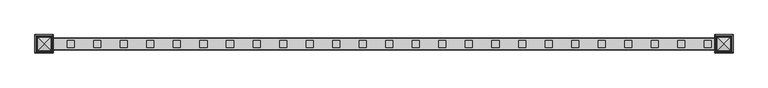
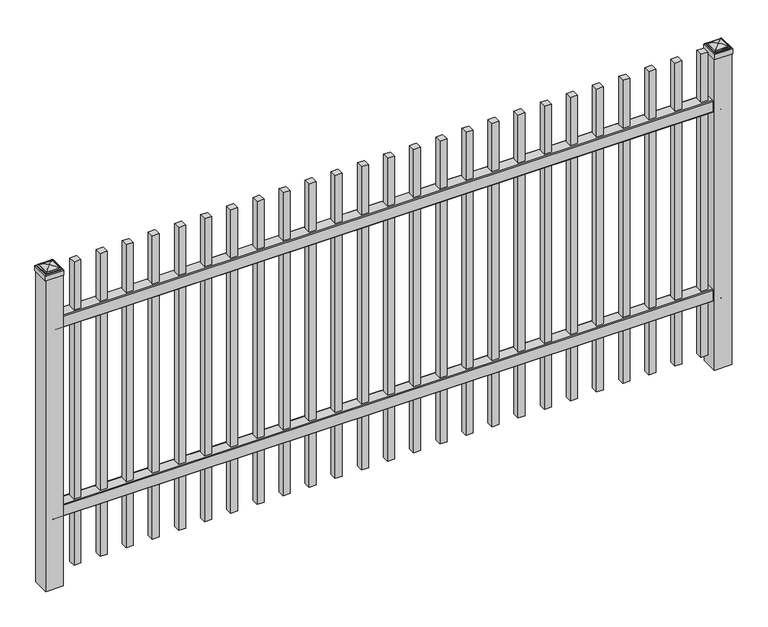
"""IFC4 building model written with IfcOpenShell, lengths in millimetres: railing geometry."""

import ifcopenshell
import ifcopenshell.guid

model = None  # the IFC model being written
_history = None  # IfcOwnerHistory: only IFC2X3 demands one
_inside = {}  # id of a spatial element -> (the spatial element, [elements in it])
_under = {}  # id of a project, library or spatial element -> (it, [spatial elements below it])
_declared = {}  # id of a project -> (the project, [libraries it declares])
_typed = {}  # id of a type object -> (the type object, [elements of that type])
_made_of = {}  # id of a material, layer set ... -> (it, [elements and type objects made of it])


def new_model(schema):
    """Start an empty IFC model of exactly this schema.

    Asked for "IFC4X3", IfcOpenShell would pick the latest addendum, in which some entities
    have other attributes; the version numbers below select the first issue.
    IFC2X3 requires an IfcOwnerHistory on every rooted entity: one is made here for all.
    """
    global model, _history
    if schema == "IFC4X3":
        model = ifcopenshell.file(schema_version=(4, 3, 0, 0))
    else:
        model = ifcopenshell.file(schema=schema)
    _inside.clear()
    _under.clear()
    _declared.clear()
    _typed.clear()
    _made_of.clear()
    _history = None
    if model.schema == "IFC2X3":
        org = make("IfcOrganization", Name="unknown")
        user = make(
            "IfcPersonAndOrganization",
            ThePerson=make("IfcPerson", FamilyName="unknown"),
            TheOrganization=org,
        )
        app = make(
            "IfcApplication",
            ApplicationDeveloper=org,
            Version="unknown",
            ApplicationFullName="unknown",
            ApplicationIdentifier="unknown",
        )
        _history = make(
            "IfcOwnerHistory",
            OwningUser=user,
            OwningApplication=app,
            ChangeAction="ADDED",
            CreationDate=0,
        )
    return model


def make(cls, **values):
    """One entity of the class cls with the attributes given. An attribute that is None is left unset."""
    return model.create_entity(
        cls, **{name: value for name, value in values.items() if value is not None}
    )


def rooted(cls, **values):
    """An entity with a GlobalId (a new one), such as an element, a storey or a relation."""
    return make(cls, GlobalId=ifcopenshell.guid.new(), OwnerHistory=_history, **values)


def si_unit(unit_type, name, prefix=None):
    """IfcSIUnit, for example si_unit("LENGTHUNIT", "METRE", prefix="MILLI")."""
    return make("IfcSIUnit", UnitType=unit_type, Prefix=prefix, Name=name)


def assignment(units):
    """IfcUnitAssignment: the units of a project."""
    return None if units is None else make("IfcUnitAssignment", Units=units)


def point(xyz):
    """IfcCartesianPoint."""
    return None if xyz is None else make("IfcCartesianPoint", Coordinates=xyz)


def direction(xyz):
    """IfcDirection."""
    return None if xyz is None else make("IfcDirection", DirectionRatios=xyz)


def frame(location, z_axis=None, x_axis=None):
    """IfcAxis2Placement3D, a coordinate frame: its origin and axes. An axis left out is left unset."""
    return make(
        "IfcAxis2Placement3D",
        Location=point(location),
        Axis=direction(z_axis),
        RefDirection=direction(x_axis),
    )


def frame_2d(location, x_axis=None):
    """IfcAxis2Placement2D, a coordinate frame in the plane: its origin and x axis."""
    return make(
        "IfcAxis2Placement2D", Location=point(location), RefDirection=direction(x_axis)
    )


def origin():
    """The frame at (0, 0, 0) with its axes left unset."""
    return frame((0.0, 0.0, 0.0))


def origin_with_axes():
    """The frame at (0, 0, 0) with the z axis (0, 0, 1) and the x axis (1, 0, 0) written out."""
    return frame((0.0, 0.0, 0.0), z_axis=(0.0, 0.0, 1.0), x_axis=(1.0, 0.0, 0.0))


def place(relative_to, where):
    """IfcLocalPlacement: puts the frame where relative to a parent placement (None: the world)."""
    return make(
        "IfcLocalPlacement", PlacementRelTo=relative_to, RelativePlacement=where
    )


def context(
    kind, dimensions, precision=None, world=None, true_north=None, identifier=None
):
    """IfcGeometricRepresentationContext, for example the 3D "Model" context."""
    return make(
        "IfcGeometricRepresentationContext",
        ContextIdentifier=identifier,
        ContextType=kind,
        CoordinateSpaceDimension=dimensions,
        Precision=precision,
        WorldCoordinateSystem=world,
        TrueNorth=true_north,
    )


def project(units=None, contexts=None):
    """IfcProject with its units and contexts."""
    return rooted(
        "IfcProject",
        Name="project",
        RepresentationContexts=contexts,
        UnitsInContext=assignment(units),
    )


def spatial(cls, under=None, at=None, **own):
    """A site, building, storey or space (cls), placed at a placement, below another one or the project."""
    s = rooted(cls, ObjectPlacement=at, **own)
    if under is not None:
        _under.setdefault(under.id(), (under, []))[1].append(s)
    return s


def polyline(points):
    """IfcPolyline through the points."""
    return make("IfcPolyline", Points=[point(p) for p in points])


def circle_curve(where, radius):
    """IfcCircle in the frame where."""
    return make("IfcCircle", Position=where, Radius=radius)


def ellipse_curve(where, semi_axis1, semi_axis2):
    """IfcEllipse in the frame where."""
    return make(
        "IfcEllipse", Position=where, SemiAxis1=semi_axis1, SemiAxis2=semi_axis2
    )


def trimmed(basis, trim1, trim2, sense, master):
    """IfcTrimmedCurve: the piece of a basis curve between two trims."""
    return make(
        "IfcTrimmedCurve",
        BasisCurve=basis,
        Trim1=trim1,
        Trim2=trim2,
        SenseAgreement=sense,
        MasterRepresentation=master,
    )


def segment(curve, same_sense, transition):
    """IfcCompositeCurveSegment."""
    return make(
        "IfcCompositeCurveSegment",
        Transition=transition,
        SameSense=same_sense,
        ParentCurve=curve,
    )


def composite_curve(segments, self_intersect=None):
    """IfcCompositeCurve: segments joined end to end."""
    return make("IfcCompositeCurve", Segments=segments, SelfIntersect=self_intersect)


def outline(outer, holes=None, kind="AREA"):
    """IfcArbitraryClosedProfileDef: a profile drawn as a closed curve; with holes, ...WithVoids."""
    if holes is None:
        return make("IfcArbitraryClosedProfileDef", ProfileType=kind, OuterCurve=outer)
    return make(
        "IfcArbitraryProfileDefWithVoids",
        ProfileType=kind,
        OuterCurve=outer,
        InnerCurves=holes,
    )


def extrude(swept, where, along, depth):
    """IfcExtrudedAreaSolid: the profile swept, set in the frame where, extruded along a direction by depth."""
    return make(
        "IfcExtrudedAreaSolid",
        SweptArea=swept,
        Position=where,
        ExtrudedDirection=direction(along),
        Depth=depth,
    )


def shape(context_of_items, identifier, shape_type, items):
    """IfcShapeRepresentation: the items that make up one representation, for example the "Body"."""
    return make(
        "IfcShapeRepresentation",
        ContextOfItems=context_of_items,
        RepresentationIdentifier=identifier,
        RepresentationType=shape_type,
        Items=items,
    )


def source(mapping_origin, context_of_items, identifier, shape_type, items):
    """IfcRepresentationMap: a shape defined once, which mapped items show again and again."""
    return make(
        "IfcRepresentationMap",
        MappingOrigin=mapping_origin,
        MappedRepresentation=shape(context_of_items, identifier, shape_type, items),
    )


def transform(
    local_origin,
    x_axis=None,
    y_axis=None,
    z_axis=None,
    scale=None,
    scale2=None,
    scale3=None,
    uniform=True,
):
    """IfcCartesianTransformationOperator3D, or its non-uniform kind. x_axis, y_axis, z_axis: its Axis1, 2, 3."""
    if uniform:
        return make(
            "IfcCartesianTransformationOperator3D",
            Axis1=direction(x_axis),
            Axis2=direction(y_axis),
            LocalOrigin=point(local_origin),
            Scale=scale,
            Axis3=direction(z_axis),
        )
    return make(
        "IfcCartesianTransformationOperator3DnonUniform",
        Axis1=direction(x_axis),
        Axis2=direction(y_axis),
        LocalOrigin=point(local_origin),
        Scale=scale,
        Axis3=direction(z_axis),
        Scale2=scale2,
        Scale3=scale3,
    )


def mapped(mapping_source, mapping_target):
    """IfcMappedItem: shows the shape of a source again, moved by a transform."""
    return make(
        "IfcMappedItem", MappingSource=mapping_source, MappingTarget=mapping_target
    )


def made_of(thing, what):
    """Note that an element or type object is made of a material, layer set ...; save() writes the relation."""
    if what is not None:
        _made_of.setdefault(what.id(), (what, []))[1].append(thing)
    return thing


def element(
    cls,
    number,
    at=None,
    inside=None,
    cuts=None,
    type_object=None,
    material=None,
    context=None,
    identifier="Body",
    shape_type=None,
    held_by="IfcProductDefinitionShape",
    body=None,
    shapes=None,
    **own,
):
    """One element of the class cls, such as IfcWall. Its Tag is "e" and its number.

    at: its placement. inside: the storey or other place that contains it. cuts: it is an
    opening in that element (IfcRelVoidsElement). A single representation is given by context,
    identifier, shape_type and body (its items); several are given by shapes. held_by: the class
    of the entity that holds the representations. save() writes the other relations.
    """
    e = rooted(cls, Tag="e%d" % number, ObjectPlacement=at, **own)
    if body is not None:
        shapes = [shape(context, identifier, shape_type, body)]
    if shapes is not None:
        e.Representation = make(held_by, Representations=shapes)
    if inside is not None:
        _inside.setdefault(inside.id(), (inside, []))[1].append(e)
    if cuts is not None:
        rooted(
            "IfcRelVoidsElement", RelatingBuildingElement=cuts, RelatedOpeningElement=e
        )
    if type_object is not None:
        _typed.setdefault(type_object.id(), (type_object, []))[1].append(e)
    return made_of(e, material)


def aggregate(whole, parts):
    """IfcRelAggregates: a whole, such as a stair, and the parts it consists of."""
    return rooted("IfcRelAggregates", RelatingObject=whole, RelatedObjects=parts)


def save(model, path):
    """Write the relations noted so far, then the file.

    IfcRelAggregates (storeys below a building ...), IfcRelContainedInSpatialStructure (elements
    in a storey), IfcRelDefinesByType, IfcRelAssociatesMaterial and IfcRelDeclares: one each for
    every whole, place, type object, material and project.
    """
    for whole, parts in _under.values():
        aggregate(whole, parts)
    for where, things in _inside.values():
        rooted(
            "IfcRelContainedInSpatialStructure",
            RelatedElements=things,
            RelatingStructure=where,
        )
    for kind, things in _typed.values():
        rooted("IfcRelDefinesByType", RelatedObjects=things, RelatingType=kind)
    for what, things in _made_of.values():
        rooted("IfcRelAssociatesMaterial", RelatedObjects=things, RelatingMaterial=what)
    for by, libraries in _declared.values():
        rooted("IfcRelDeclares", RelatingContext=by, RelatedDefinitions=libraries)
    model.write(path)


def plane_surface(at):
    """IfcPlane: the flat surface through the origin of the frame at, square to its z axis."""
    return make("IfcPlane", Position=at)


def cylinder_surface(at, radius):
    """IfcCylindricalSurface: all points at the distance radius from the z axis of the frame at."""
    return make("IfcCylindricalSurface", Position=at, Radius=radius)


def advanced_brep(points, edges, surfaces, faces):
    """IfcAdvancedBrep: a solid bounded by faces that lie on surfaces and meet in shared edges.

    An edge is (start, end): straight between two places in points (the first is 0);
    or (start, end, curve); or (start, end, curve, False) where it runs against its curve.
    A face is (place in surfaces, loops), or (place, loops, False) where it looks against
    its surface's normal. A loop lists edges by number (the first is 1), with a minus sign
    where the edge is run from its end to its start. The first loop is the outer one.
    """
    corners = [point(p) for p in points]
    vertices = [make("IfcVertexPoint", VertexGeometry=c) for c in corners]
    made = []
    for start, end, *more in edges:
        made.append(
            make(
                "IfcEdgeCurve",
                EdgeStart=vertices[start],
                EdgeEnd=vertices[end],
                EdgeGeometry=more[0] if more else make("IfcPolyline", Points=[corners[start], corners[end]]),
                SameSense=more[1] if len(more) > 1 else True,
            )
        )
    hull = []
    for where, loops, *sense in faces:
        bounds = []
        for j, loop in enumerate(loops):
            ring = [make("IfcOrientedEdge", EdgeElement=made[abs(k) - 1], Orientation=k > 0) for k in loop]
            bounds.append(
                make(
                    "IfcFaceOuterBound" if j == 0 else "IfcFaceBound",
                    Bound=make("IfcEdgeLoop", EdgeList=ring),
                    Orientation=True,
                )
            )
        hull.append(make("IfcAdvancedFace", Bounds=bounds, FaceSurface=surfaces[where], SameSense=sense[0] if sense else True))
    return make("IfcAdvancedBrep", Outer=make("IfcClosedShell", CfsFaces=hull))


def railing_c699f9fa(model_context):
    return source(origin(), model_context, "Body", "SolidModel", [
        extrude(outline(composite_curve([segment(polyline([(13397.9139761, 304.8), (13435.969541, 304.8)]), True, "CONTINUOUS"), segment(trimmed(circle_curve(frame_2d((13435.969541, 301.625)), 3.175), [point((13435.969541, 304.8))], [point((13439.144541, 301.625))], False, "CARTESIAN"), True, "CONTINUOUS"), segment(polyline([(13439.144541, 301.625), (13439.144541, 262.1439893)]), True, "CONTINUOUS"), segment(trimmed(circle_curve(frame_2d((13437.3505518, 262.1439893)), 1.7939893), [point((13439.144541, 262.1439893))], [point((13437.3505518, 260.35))], False, "CARTESIAN"), True, "CONTINUOUS"), segment(polyline([(13437.3505518, 260.35), (13434.7590713, 260.35)]), True, "CONTINUOUS"), segment(trimmed(circle_curve(frame_2d((13434.7590713, 262.1359375)), 1.7859375), [point((13434.7590713, 260.35))], [point((13432.9755813, 262.0424688))], False, "CARTESIAN"), True, "CONTINUOUS"), segment(polyline([(13432.9755813, 262.0424688), (13431.4025867, 292.0569942), (13402.4364954, 292.0569942), (13400.8635007, 262.0424688)]), True, "CONTINUOUS"), segment(trimmed(circle_curve(frame_2d((13399.0800108, 262.1359375)), 1.7859375), [point((13400.8635007, 262.0424688))], [point((13399.0800108, 260.35))], False, "CARTESIAN"), True, "CONTINUOUS"), segment(polyline([(13399.0800108, 260.35), (13396.4804785, 260.35)]), True, "CONTINUOUS"), segment(trimmed(circle_curve(frame_2d((13396.4804785, 262.1359375)), 1.7859375), [point((13396.4804785, 260.35))], [point((13394.694541, 262.1359375))], False, "CARTESIAN"), True, "CONTINUOUS"), segment(polyline([(13394.694541, 262.1359375), (13394.694541, 301.5805649)]), True, "CONTINUOUS"), segment(trimmed(circle_curve(frame_2d((13397.9139761, 301.5805649)), 3.2194351), [point((13394.694541, 301.5805649))], [point((13397.9139761, 304.8))], False, "CARTESIAN"), True, "CONTINUOUS")], self_intersect=False)), frame((2341.3350064, 0.0, 0.0), z_axis=(1.0, 0.0, 0.0), x_axis=(0.0, 1.0, 0.0)), (0.0, 0.0, 1.0), 2438.4),
        extrude(outline(composite_curve([segment(polyline([(13397.9139761, 1033.4625), (13435.969541, 1033.4625)]), True, "CONTINUOUS"), segment(trimmed(circle_curve(frame_2d((13435.969541, 1030.2875)), 3.175), [point((13435.969541, 1033.4625))], [point((13439.144541, 1030.2875))], False, "CARTESIAN"), True, "CONTINUOUS"), segment(polyline([(13439.144541, 1030.2875), (13439.144541, 990.8064893)]), True, "CONTINUOUS"), segment(trimmed(circle_curve(frame_2d((13437.3505518, 990.8064893)), 1.7939893), [point((13439.144541, 990.8064893))], [point((13437.3505518, 989.0125))], False, "CARTESIAN"), True, "CONTINUOUS"), segment(polyline([(13437.3505518, 989.0125), (13434.7590713, 989.0125)]), True, "CONTINUOUS"), segment(trimmed(circle_curve(frame_2d((13434.7590713, 990.7984375)), 1.7859375), [point((13434.7590713, 989.0125))], [point((13432.9755813, 990.7049688))], False, "CARTESIAN"), True, "CONTINUOUS"), segment(polyline([(13432.9755813, 990.7049688), (13431.4025867, 1020.7194942), (13402.4364954, 1020.7194942), (13400.8635007, 990.7049688)]), True, "CONTINUOUS"), segment(trimmed(circle_curve(frame_2d((13399.0800108, 990.7984375)), 1.7859375), [point((13400.8635007, 990.7049688))], [point((13399.0800108, 989.0125))], False, "CARTESIAN"), True, "CONTINUOUS"), segment(polyline([(13399.0800108, 989.0125), (13396.4804785, 989.0125)]), True, "CONTINUOUS"), segment(trimmed(circle_curve(frame_2d((13396.4804785, 990.7984375)), 1.7859375), [point((13396.4804785, 989.0125))], [point((13394.694541, 990.7984375))], False, "CARTESIAN"), True, "CONTINUOUS"), segment(polyline([(13394.694541, 990.7984375), (13394.694541, 1030.2430649)]), True, "CONTINUOUS"), segment(trimmed(circle_curve(frame_2d((13397.9139761, 1030.2430649)), 3.2194351), [point((13394.694541, 1030.2430649))], [point((13397.9139761, 1033.4625))], False, "CARTESIAN"), True, "CONTINUOUS")], self_intersect=False)), frame((2341.3350064, 0.0, 0.0), z_axis=(1.0, 0.0, 0.0), x_axis=(0.0, 1.0, 0.0)), (0.0, 0.0, 1.0), 2438.4),
        extrude(outline(polyline([(4709.8850064, 13429.619541), (4735.2850064, 13429.619541), (4735.2850064, 13404.219541), (4709.8850064, 13404.219541), (4709.8850064, 13429.619541)])), frame((0.0, 0.0, 50.8), z_axis=(0.0, 0.0, 1.0), x_axis=(1.0, 0.0, 0.0)), (0.0, 0.0, 1.0), 1168.4),
        extrude(outline(polyline([(4614.6350064, 13429.619541), (4640.0350064, 13429.619541), (4640.0350064, 13404.219541), (4614.6350064, 13404.219541), (4614.6350064, 13429.619541)])), frame((0.0, 0.0, 50.8), z_axis=(0.0, 0.0, 1.0), x_axis=(1.0, 0.0, 0.0)), (0.0, 0.0, 1.0), 1168.4),
        extrude(outline(polyline([(4519.3850064, 13429.619541), (4544.7850064, 13429.619541), (4544.7850064, 13404.219541), (4519.3850064, 13404.219541), (4519.3850064, 13429.619541)])), frame((0.0, 0.0, 50.8), z_axis=(0.0, 0.0, 1.0), x_axis=(1.0, 0.0, 0.0)), (0.0, 0.0, 1.0), 1168.4),
        extrude(outline(polyline([(4424.1350064, 13429.619541), (4449.5350064, 13429.619541), (4449.5350064, 13404.219541), (4424.1350064, 13404.219541), (4424.1350064, 13429.619541)])), frame((0.0, 0.0, 50.8), z_axis=(0.0, 0.0, 1.0), x_axis=(1.0, 0.0, 0.0)), (0.0, 0.0, 1.0), 1168.4),
        extrude(outline(polyline([(4328.8850064, 13429.619541), (4354.2850064, 13429.619541), (4354.2850064, 13404.219541), (4328.8850064, 13404.219541), (4328.8850064, 13429.619541)])), frame((0.0, 0.0, 50.8), z_axis=(0.0, 0.0, 1.0), x_axis=(1.0, 0.0, 0.0)), (0.0, 0.0, 1.0), 1168.4),
        extrude(outline(polyline([(4233.6350064, 13429.619541), (4259.0350064, 13429.619541), (4259.0350064, 13404.219541), (4233.6350064, 13404.219541), (4233.6350064, 13429.619541)])), frame((0.0, 0.0, 50.8), z_axis=(0.0, 0.0, 1.0), x_axis=(1.0, 0.0, 0.0)), (0.0, 0.0, 1.0), 1168.4),
        extrude(outline(polyline([(4138.3850064, 13429.619541), (4163.7850064, 13429.619541), (4163.7850064, 13404.219541), (4138.3850064, 13404.219541), (4138.3850064, 13429.619541)])), frame((0.0, 0.0, 50.8), z_axis=(0.0, 0.0, 1.0), x_axis=(1.0, 0.0, 0.0)), (0.0, 0.0, 1.0), 1168.4),
        extrude(outline(polyline([(4043.1350064, 13429.619541), (4068.5350064, 13429.619541), (4068.5350064, 13404.219541), (4043.1350064, 13404.219541), (4043.1350064, 13429.619541)])), frame((0.0, 0.0, 50.8), z_axis=(0.0, 0.0, 1.0), x_axis=(1.0, 0.0, 0.0)), (0.0, 0.0, 1.0), 1168.4),
        extrude(outline(polyline([(3947.8850064, 13429.619541), (3973.2850064, 13429.619541), (3973.2850064, 13404.219541), (3947.8850064, 13404.219541), (3947.8850064, 13429.619541)])), frame((0.0, 0.0, 50.8), z_axis=(0.0, 0.0, 1.0), x_axis=(1.0, 0.0, 0.0)), (0.0, 0.0, 1.0), 1168.4),
        extrude(outline(polyline([(3852.6350064, 13429.619541), (3878.0350064, 13429.619541), (3878.0350064, 13404.219541), (3852.6350064, 13404.219541), (3852.6350064, 13429.619541)])), frame((0.0, 0.0, 50.8), z_axis=(0.0, 0.0, 1.0), x_axis=(1.0, 0.0, 0.0)), (0.0, 0.0, 1.0), 1168.4),
        extrude(outline(polyline([(3757.3850064, 13429.619541), (3782.7850064, 13429.619541), (3782.7850064, 13404.219541), (3757.3850064, 13404.219541), (3757.3850064, 13429.619541)])), frame((0.0, 0.0, 50.8), z_axis=(0.0, 0.0, 1.0), x_axis=(1.0, 0.0, 0.0)), (0.0, 0.0, 1.0), 1168.4),
        extrude(outline(polyline([(3662.1350064, 13429.619541), (3687.5350064, 13429.619541), (3687.5350064, 13404.219541), (3662.1350064, 13404.219541), (3662.1350064, 13429.619541)])), frame((0.0, 0.0, 50.8), z_axis=(0.0, 0.0, 1.0), x_axis=(1.0, 0.0, 0.0)), (0.0, 0.0, 1.0), 1168.4),
        extrude(outline(polyline([(3566.8850064, 13429.619541), (3592.2850064, 13429.619541), (3592.2850064, 13404.219541), (3566.8850064, 13404.219541), (3566.8850064, 13429.619541)])), frame((0.0, 0.0, 50.8), z_axis=(0.0, 0.0, 1.0), x_axis=(1.0, 0.0, 0.0)), (0.0, 0.0, 1.0), 1168.4),
        extrude(outline(polyline([(3471.6350064, 13429.619541), (3497.0350064, 13429.619541), (3497.0350064, 13404.219541), (3471.6350064, 13404.219541), (3471.6350064, 13429.619541)])), frame((0.0, 0.0, 50.8), z_axis=(0.0, 0.0, 1.0), x_axis=(1.0, 0.0, 0.0)), (0.0, 0.0, 1.0), 1168.4),
        extrude(outline(polyline([(3376.3850064, 13429.619541), (3401.7850064, 13429.619541), (3401.7850064, 13404.219541), (3376.3850064, 13404.219541), (3376.3850064, 13429.619541)])), frame((0.0, 0.0, 50.8), z_axis=(0.0, 0.0, 1.0), x_axis=(1.0, 0.0, 0.0)), (0.0, 0.0, 1.0), 1168.4),
        extrude(outline(polyline([(3281.1350064, 13429.619541), (3306.5350064, 13429.619541), (3306.5350064, 13404.219541), (3281.1350064, 13404.219541), (3281.1350064, 13429.619541)])), frame((0.0, 0.0, 50.8), z_axis=(0.0, 0.0, 1.0), x_axis=(1.0, 0.0, 0.0)), (0.0, 0.0, 1.0), 1168.4),
        extrude(outline(polyline([(3185.8850064, 13429.619541), (3211.2850064, 13429.619541), (3211.2850064, 13404.219541), (3185.8850064, 13404.219541), (3185.8850064, 13429.619541)])), frame((0.0, 0.0, 50.8), z_axis=(0.0, 0.0, 1.0), x_axis=(1.0, 0.0, 0.0)), (0.0, 0.0, 1.0), 1168.4),
        extrude(outline(polyline([(3090.6350064, 13429.619541), (3116.0350064, 13429.619541), (3116.0350064, 13404.219541), (3090.6350064, 13404.219541), (3090.6350064, 13429.619541)])), frame((0.0, 0.0, 50.8), z_axis=(0.0, 0.0, 1.0), x_axis=(1.0, 0.0, 0.0)), (0.0, 0.0, 1.0), 1168.4),
        extrude(outline(polyline([(2995.3850064, 13429.619541), (3020.7850064, 13429.619541), (3020.7850064, 13404.219541), (2995.3850064, 13404.219541), (2995.3850064, 13429.619541)])), frame((0.0, 0.0, 50.8), z_axis=(0.0, 0.0, 1.0), x_axis=(1.0, 0.0, 0.0)), (0.0, 0.0, 1.0), 1168.4),
        extrude(outline(polyline([(2900.1350064, 13429.619541), (2925.5350064, 13429.619541), (2925.5350064, 13404.219541), (2900.1350064, 13404.219541), (2900.1350064, 13429.619541)])), frame((0.0, 0.0, 50.8), z_axis=(0.0, 0.0, 1.0), x_axis=(1.0, 0.0, 0.0)), (0.0, 0.0, 1.0), 1168.4),
        extrude(outline(polyline([(2804.8850064, 13429.619541), (2830.2850064, 13429.619541), (2830.2850064, 13404.219541), (2804.8850064, 13404.219541), (2804.8850064, 13429.619541)])), frame((0.0, 0.0, 50.8), z_axis=(0.0, 0.0, 1.0), x_axis=(1.0, 0.0, 0.0)), (0.0, 0.0, 1.0), 1168.4),
        extrude(outline(polyline([(2709.6350064, 13429.619541), (2735.0350064, 13429.619541), (2735.0350064, 13404.219541), (2709.6350064, 13404.219541), (2709.6350064, 13429.619541)])), frame((0.0, 0.0, 50.8), z_axis=(0.0, 0.0, 1.0), x_axis=(1.0, 0.0, 0.0)), (0.0, 0.0, 1.0), 1168.4),
        extrude(outline(polyline([(2614.3850064, 13429.619541), (2639.7850064, 13429.619541), (2639.7850064, 13404.219541), (2614.3850064, 13404.219541), (2614.3850064, 13429.619541)])), frame((0.0, 0.0, 50.8), z_axis=(0.0, 0.0, 1.0), x_axis=(1.0, 0.0, 0.0)), (0.0, 0.0, 1.0), 1168.4),
        extrude(outline(polyline([(2519.1350064, 13429.619541), (2544.5350064, 13429.619541), (2544.5350064, 13404.219541), (2519.1350064, 13404.219541), (2519.1350064, 13429.619541)])), frame((0.0, 0.0, 50.8), z_axis=(0.0, 0.0, 1.0), x_axis=(1.0, 0.0, 0.0)), (0.0, 0.0, 1.0), 1168.4),
        extrude(outline(polyline([(2423.8850064, 13429.619541), (2449.2850064, 13429.619541), (2449.2850064, 13404.219541), (2423.8850064, 13404.219541), (2423.8850064, 13429.619541)])), frame((0.0, 0.0, 50.8), z_axis=(0.0, 0.0, 1.0), x_axis=(1.0, 0.0, 0.0)), (0.0, 0.0, 1.0), 1168.4),
        extrude(outline(polyline([(4811.4850064, 13448.669541), (4811.4850064, 13385.169541), (4747.9850064, 13385.169541), (4747.9850064, 13448.669541), (4811.4850064, 13448.669541)])), origin_with_axes(), (0.0, 0.0, 1.0), 1198.5625),
        advanced_brep(
        [(4746.3975064, 13450.257041, 1216.81875), (4746.3975064, 13450.257041, 1198.5625), (4746.3975064, 13383.582041, 1198.5625), (4746.3975064, 13383.582041, 1216.81875), (4748.7787564, 13447.875791, 1219.2), (4748.7787564, 13385.963291, 1219.2), (4751.1600064, 13445.494541, 1221.58125), (4751.1600064, 13445.494541, 1219.2), (4751.1600064, 13388.344541, 1219.2), (4751.1600064, 13388.344541, 1221.58125), (4753.5412564, 13443.113291, 1223.9625), (4753.5412564, 13390.725791, 1223.9625), (4779.7350064, 13416.919541, 1230.3125), (4755.9225064, 13440.732041, 1223.9625), (4755.9225064, 13393.107041, 1223.9625), (4813.0725064, 13383.582041, 1198.5625), (4813.0725064, 13383.582041, 1216.81875), (4810.6912564, 13385.963291, 1219.2), (4808.3100064, 13388.344541, 1219.2), (4808.3100064, 13388.344541, 1221.58125), (4805.9287564, 13390.725791, 1223.9625), (4803.5475064, 13393.107041, 1223.9625), (4813.0725064, 13450.257041, 1198.5625), (4813.0725064, 13450.257041, 1216.81875), (4810.6912564, 13447.875791, 1219.2), (4808.3100064, 13445.494541, 1219.2), (4808.3100064, 13445.494541, 1221.58125), (4805.9287564, 13443.113291, 1223.9625), (4803.5475064, 13440.732041, 1223.9625)],
        [
            (0, 1),
            (1, 2),
            (2, 3),
            (3, 0),
            (4, 0, ellipse_curve(frame((4748.7787564, 13447.875791, 1216.81875), z_axis=(-0.70710678118655, -0.7071067811865449, 0.0), x_axis=(-0.7071067811865448, 0.7071067811865501, 0.0)), 3.367596, 2.38125)),
            (3, 5, ellipse_curve(frame((4748.7787564, 13385.963291, 1216.81875), z_axis=(-0.7071067811865449, 0.70710678118655, 0.0), x_axis=(0.7071067811865499, 0.707106781186545, 0.0)), 3.367596, 2.38125)),
            (5, 4),
            (6, 7),
            (7, 8),
            (8, 9),
            (9, 6),
            (10, 6, ellipse_curve(frame((4753.5412564, 13443.113291, 1221.58125), z_axis=(-0.70710678118655, -0.7071067811865449, 0.0), x_axis=(-0.7071067811865448, 0.7071067811865501, 0.0)), 3.367596, 2.38125)),
            (9, 11, ellipse_curve(frame((4753.5412564, 13390.725791, 1221.58125), z_axis=(-0.7071067811865449, 0.70710678118655, 0.0), x_axis=(0.7071067811865499, 0.707106781186545, 0.0)), 3.367596, 2.38125)),
            (11, 10),
            (12, 13, ellipse_curve(frame((4779.7350064, 13416.919541, 1182.4890625), z_axis=(-0.70710678118655, -0.7071067811865449, 0.0), x_axis=(-0.7071067811865448, 0.7071067811865501, 0.0)), 67.6325539, 47.8234375)),
            (13, 14),
            (14, 12, ellipse_curve(frame((4779.7350064, 13416.919541, 1182.4890625), z_axis=(-0.7071067811865449, 0.70710678118655, 0.0), x_axis=(0.7071067811865499, 0.707106781186545, 0.0)), 67.6325539, 47.8234375)),
            (2, 15),
            (15, 16),
            (16, 3),
            (16, 17, ellipse_curve(frame((4810.6912564, 13385.963291, 1216.81875), z_axis=(-0.70710678118655, -0.707106781186545, 0.0), x_axis=(-0.707106781186545, 0.70710678118655, 0.0)), 3.367596, 2.38125)),
            (17, 5),
            (8, 18),
            (18, 19),
            (19, 9),
            (19, 20, ellipse_curve(frame((4805.9287564, 13390.725791, 1221.58125), z_axis=(-0.70710678118655, -0.707106781186545, 0.0), x_axis=(-0.707106781186545, 0.70710678118655, 0.0)), 3.367596, 2.38125)),
            (20, 11),
            (14, 21),
            (21, 12, ellipse_curve(frame((4779.7350064, 13416.919541, 1182.4890625), z_axis=(-0.70710678118655, -0.707106781186545, 0.0), x_axis=(-0.707106781186545, 0.70710678118655, 0.0)), 67.6325539, 47.8234375)),
            (15, 22),
            (22, 23),
            (23, 16),
            (23, 24, ellipse_curve(frame((4810.6912564, 13447.875791, 1216.81875), z_axis=(0.707106781186545, -0.7071067811865499, 0.0), x_axis=(-0.7071067811865497, -0.7071067811865452, 0.0)), 3.367596, 2.38125)),
            (24, 17),
            (18, 25),
            (25, 26),
            (26, 19),
            (26, 27, ellipse_curve(frame((4805.9287564, 13443.113291, 1221.58125), z_axis=(0.707106781186545, -0.7071067811865499, 0.0), x_axis=(-0.7071067811865497, -0.7071067811865452, 0.0)), 3.367596, 2.38125)),
            (27, 20),
            (21, 28),
            (28, 12, ellipse_curve(frame((4779.7350064, 13416.919541, 1182.4890625), z_axis=(0.707106781186545, -0.7071067811865499, 0.0), x_axis=(-0.7071067811865497, -0.7071067811865452, 0.0)), 67.6325539, 47.8234375)),
            (22, 1),
            (0, 23),
            (4, 24),
            (7, 25),
            (6, 26),
            (10, 27),
            (13, 28),
        ],
        [
            plane_surface(frame((4746.3975064, 13450.257041, 1198.5625), z_axis=(-1.0, 0.0, 0.0), x_axis=(0.0, -1.0, 0.0))),
            cylinder_surface(frame((4748.7787564, 13448.669541, 1216.81875), z_axis=(0.0, 1.0, 0.0), x_axis=(1.0, 0.0, 0.0)), 2.38125),
            plane_surface(frame((4751.1600064, 13445.494541, 1219.2), z_axis=(-1.0, 0.0, 0.0), x_axis=(0.0, -1.0, 0.0))),
            cylinder_surface(frame((4753.5412564, 13448.669541, 1221.58125), z_axis=(0.0, 1.0, 0.0), x_axis=(1.0, 0.0, 0.0)), 2.38125),
            cylinder_surface(frame((4779.7350064, 13448.669541, 1182.4890625), z_axis=(0.0, 1.0, 0.0), x_axis=(1.0, 0.0, 0.0)), 47.8234375),
            plane_surface(frame((4746.3975064, 13383.582041, 1198.5625), z_axis=(0.0, -1.0, 0.0), x_axis=(1.0, 0.0, 0.0))),
            cylinder_surface(frame((4747.9850064, 13385.963291, 1216.81875), z_axis=(-1.0, 0.0, 0.0), x_axis=(0.0, 1.0, 0.0)), 2.38125),
            plane_surface(frame((4751.1600064, 13388.344541, 1219.2), z_axis=(0.0, -1.0, 0.0), x_axis=(1.0, 0.0, 0.0))),
            cylinder_surface(frame((4747.9850064, 13390.725791, 1221.58125), z_axis=(-1.0, 0.0, 0.0), x_axis=(0.0, 1.0, 0.0)), 2.38125),
            cylinder_surface(frame((4747.9850064, 13416.919541, 1182.4890625), z_axis=(-1.0, 0.0, 0.0), x_axis=(0.0, 1.0, 0.0)), 47.8234375),
            plane_surface(frame((4813.0725064, 13383.582041, 1198.5625), z_axis=(1.0, 0.0, 0.0), x_axis=(0.0, 1.0, 0.0))),
            cylinder_surface(frame((4810.6912564, 13385.169541, 1216.81875), z_axis=(0.0, -1.0, 0.0), x_axis=(-1.0, 0.0, 0.0)), 2.38125),
            plane_surface(frame((4808.3100064, 13388.344541, 1219.2), z_axis=(1.0, 0.0, 0.0), x_axis=(0.0, 1.0, 0.0))),
            cylinder_surface(frame((4805.9287564, 13385.169541, 1221.58125), z_axis=(0.0, -1.0, 0.0), x_axis=(-1.0, 0.0, 0.0)), 2.38125),
            cylinder_surface(frame((4779.7350064, 13385.169541, 1182.4890625), z_axis=(0.0, -1.0, 0.0), x_axis=(-1.0, 0.0, 0.0)), 47.8234375),
            plane_surface(frame((4813.0725064, 13450.257041, 1198.5625), z_axis=(0.0, 1.0, 0.0), x_axis=(-1.0, 0.0, 0.0))),
            cylinder_surface(frame((4811.4850064, 13447.875791, 1216.81875), z_axis=(1.0, 0.0, 0.0), x_axis=(0.0, -1.0, 0.0)), 2.38125),
            plane_surface(frame((4810.6912564, 13447.875791, 1219.2), z_axis=(0.0, 0.0, 1.0), x_axis=(-1.0, 0.0, 0.0))),
            plane_surface(frame((4808.3100064, 13445.494541, 1219.2), z_axis=(0.0, 1.0, 0.0), x_axis=(-1.0, 0.0, 0.0))),
            cylinder_surface(frame((4811.4850064, 13443.113291, 1221.58125), z_axis=(1.0, 0.0, 0.0), x_axis=(0.0, -1.0, 0.0)), 2.38125),
            plane_surface(frame((4805.9287564, 13443.113291, 1223.9625), z_axis=(0.0, 0.0, 1.0), x_axis=(-1.0, 0.0, 0.0))),
            cylinder_surface(frame((4811.4850064, 13416.919541, 1182.4890625), z_axis=(1.0, 0.0, 0.0), x_axis=(0.0, -1.0, 0.0)), 47.8234375),
            plane_surface(frame((4779.7350064, 13416.919541, 1198.5625), z_axis=(0.0, 0.0, -1.0), x_axis=(-1.0, 0.0, 0.0))),
        ],
        [
            (0, [[1, 2, 3, 4]]),
            (1, [[5, -4, 6, 7]]),
            (2, [[8, 9, 10, 11]]),
            (3, [[12, -11, 13, 14]]),
            (4, [[15, 16, 17]]),
            (5, [[-3, 18, 19, 20]]),
            (6, [[-6, -20, 21, 22]]),
            (7, [[-10, 23, 24, 25]]),
            (8, [[-13, -25, 26, 27]]),
            (9, [[-17, 28, 29]]),
            (10, [[-19, 30, 31, 32]]),
            (11, [[-21, -32, 33, 34]]),
            (12, [[-24, 35, 36, 37]]),
            (13, [[-26, -37, 38, 39]]),
            (14, [[-29, 40, 41]]),
            (15, [[-31, 42, -1, 43]]),
            (16, [[-33, -43, -5, 44]]),
            (17, [[-22, -34, -44, -7], [45, -35, -23, -9]]),
            (18, [[-36, -45, -8, 46]]),
            (19, [[-38, -46, -12, 47]]),
            (20, [[-27, -39, -47, -14], [48, -40, -28, -16]]),
            (21, [[-41, -48, -15]]),
            (22, [[-42, -30, -18, -2]]),
        ],
    ),
        extrude(outline(polyline([(2373.0850064, 13448.669541), (2373.0850064, 13385.169541), (2309.5850064, 13385.169541), (2309.5850064, 13448.669541), (2373.0850064, 13448.669541)])), origin_with_axes(), (0.0, 0.0, 1.0), 1198.5625),
        advanced_brep(
        [(2307.9975064, 13450.257041, 1216.81875), (2307.9975064, 13450.257041, 1198.5625), (2307.9975064, 13383.582041, 1198.5625), (2307.9975064, 13383.582041, 1216.81875), (2310.3787564, 13447.875791, 1219.2), (2310.3787564, 13385.963291, 1219.2), (2312.7600064, 13445.494541, 1221.58125), (2312.7600064, 13445.494541, 1219.2), (2312.7600064, 13388.344541, 1219.2), (2312.7600064, 13388.344541, 1221.58125), (2315.1412564, 13443.113291, 1223.9625), (2315.1412564, 13390.725791, 1223.9625), (2341.3350064, 13416.919541, 1230.3125), (2317.5225064, 13440.732041, 1223.9625), (2317.5225064, 13393.107041, 1223.9625), (2374.6725064, 13383.582041, 1198.5625), (2374.6725064, 13383.582041, 1216.81875), (2372.2912564, 13385.963291, 1219.2), (2369.9100064, 13388.344541, 1219.2), (2369.9100064, 13388.344541, 1221.58125), (2367.5287564, 13390.725791, 1223.9625), (2365.1475064, 13393.107041, 1223.9625), (2374.6725064, 13450.257041, 1198.5625), (2374.6725064, 13450.257041, 1216.81875), (2372.2912564, 13447.875791, 1219.2), (2369.9100064, 13445.494541, 1219.2), (2369.9100064, 13445.494541, 1221.58125), (2367.5287564, 13443.113291, 1223.9625), (2365.1475064, 13440.732041, 1223.9625)],
        [
            (0, 1),
            (1, 2),
            (2, 3),
            (3, 0),
            (4, 0, ellipse_curve(frame((2310.3787564, 13447.875791, 1216.81875), z_axis=(-0.70710678118655, -0.7071067811865449, 0.0), x_axis=(-0.7071067811865448, 0.7071067811865501, 0.0)), 3.367596, 2.38125)),
            (3, 5, ellipse_curve(frame((2310.3787564, 13385.963291, 1216.81875), z_axis=(-0.7071067811865449, 0.70710678118655, 0.0), x_axis=(0.7071067811865499, 0.707106781186545, 0.0)), 3.367596, 2.38125)),
            (5, 4),
            (6, 7),
            (7, 8),
            (8, 9),
            (9, 6),
            (10, 6, ellipse_curve(frame((2315.1412564, 13443.113291, 1221.58125), z_axis=(-0.70710678118655, -0.7071067811865449, 0.0), x_axis=(-0.7071067811865448, 0.7071067811865501, 0.0)), 3.367596, 2.38125)),
            (9, 11, ellipse_curve(frame((2315.1412564, 13390.725791, 1221.58125), z_axis=(-0.7071067811865449, 0.70710678118655, 0.0), x_axis=(0.7071067811865499, 0.707106781186545, 0.0)), 3.367596, 2.38125)),
            (11, 10),
            (12, 13, ellipse_curve(frame((2341.3350064, 13416.919541, 1182.4890625), z_axis=(-0.70710678118655, -0.7071067811865449, 0.0), x_axis=(-0.7071067811865448, 0.7071067811865501, 0.0)), 67.6325539, 47.8234375)),
            (13, 14),
            (14, 12, ellipse_curve(frame((2341.3350064, 13416.919541, 1182.4890625), z_axis=(-0.7071067811865449, 0.70710678118655, 0.0), x_axis=(0.7071067811865499, 0.707106781186545, 0.0)), 67.6325539, 47.8234375)),
            (2, 15),
            (15, 16),
            (16, 3),
            (16, 17, ellipse_curve(frame((2372.2912564, 13385.963291, 1216.81875), z_axis=(-0.70710678118655, -0.707106781186545, 0.0), x_axis=(-0.707106781186545, 0.70710678118655, 0.0)), 3.367596, 2.38125)),
            (17, 5),
            (8, 18),
            (18, 19),
            (19, 9),
            (19, 20, ellipse_curve(frame((2367.5287564, 13390.725791, 1221.58125), z_axis=(-0.70710678118655, -0.707106781186545, 0.0), x_axis=(-0.707106781186545, 0.70710678118655, 0.0)), 3.367596, 2.38125)),
            (20, 11),
            (14, 21),
            (21, 12, ellipse_curve(frame((2341.3350064, 13416.919541, 1182.4890625), z_axis=(-0.70710678118655, -0.707106781186545, 0.0), x_axis=(-0.707106781186545, 0.70710678118655, 0.0)), 67.6325539, 47.8234375)),
            (15, 22),
            (22, 23),
            (23, 16),
            (23, 24, ellipse_curve(frame((2372.2912564, 13447.875791, 1216.81875), z_axis=(0.707106781186545, -0.7071067811865499, 0.0), x_axis=(-0.7071067811865497, -0.7071067811865452, 0.0)), 3.367596, 2.38125)),
            (24, 17),
            (18, 25),
            (25, 26),
            (26, 19),
            (26, 27, ellipse_curve(frame((2367.5287564, 13443.113291, 1221.58125), z_axis=(0.707106781186545, -0.7071067811865499, 0.0), x_axis=(-0.7071067811865497, -0.7071067811865452, 0.0)), 3.367596, 2.38125)),
            (27, 20),
            (21, 28),
            (28, 12, ellipse_curve(frame((2341.3350064, 13416.919541, 1182.4890625), z_axis=(0.707106781186545, -0.7071067811865499, 0.0), x_axis=(-0.7071067811865497, -0.7071067811865452, 0.0)), 67.6325539, 47.8234375)),
            (22, 1),
            (0, 23),
            (4, 24),
            (7, 25),
            (6, 26),
            (10, 27),
            (13, 28),
        ],
        [
            plane_surface(frame((2307.9975064, 13450.257041, 1198.5625), z_axis=(-1.0, 0.0, 0.0), x_axis=(0.0, -1.0, 0.0))),
            cylinder_surface(frame((2310.3787564, 13448.669541, 1216.81875), z_axis=(0.0, 1.0, 0.0), x_axis=(1.0, 0.0, 0.0)), 2.38125),
            plane_surface(frame((2312.7600064, 13445.494541, 1219.2), z_axis=(-1.0, 0.0, 0.0), x_axis=(0.0, -1.0, 0.0))),
            cylinder_surface(frame((2315.1412564, 13448.669541, 1221.58125), z_axis=(0.0, 1.0, 0.0), x_axis=(1.0, 0.0, 0.0)), 2.38125),
            cylinder_surface(frame((2341.3350064, 13448.669541, 1182.4890625), z_axis=(0.0, 1.0, 0.0), x_axis=(1.0, 0.0, 0.0)), 47.8234375),
            plane_surface(frame((2307.9975064, 13383.582041, 1198.5625), z_axis=(0.0, -1.0, 0.0), x_axis=(1.0, 0.0, 0.0))),
            cylinder_surface(frame((2309.5850064, 13385.963291, 1216.81875), z_axis=(-1.0, 0.0, 0.0), x_axis=(0.0, 1.0, 0.0)), 2.38125),
            plane_surface(frame((2312.7600064, 13388.344541, 1219.2), z_axis=(0.0, -1.0, 0.0), x_axis=(1.0, 0.0, 0.0))),
            cylinder_surface(frame((2309.5850064, 13390.725791, 1221.58125), z_axis=(-1.0, 0.0, 0.0), x_axis=(0.0, 1.0, 0.0)), 2.38125),
            cylinder_surface(frame((2309.5850064, 13416.919541, 1182.4890625), z_axis=(-1.0, 0.0, 0.0), x_axis=(0.0, 1.0, 0.0)), 47.8234375),
            plane_surface(frame((2374.6725064, 13383.582041, 1198.5625), z_axis=(1.0, 0.0, 0.0), x_axis=(0.0, 1.0, 0.0))),
            cylinder_surface(frame((2372.2912564, 13385.169541, 1216.81875), z_axis=(0.0, -1.0, 0.0), x_axis=(-1.0, 0.0, 0.0)), 2.38125),
            plane_surface(frame((2369.9100064, 13388.344541, 1219.2), z_axis=(1.0, 0.0, 0.0), x_axis=(0.0, 1.0, 0.0))),
            cylinder_surface(frame((2367.5287564, 13385.169541, 1221.58125), z_axis=(0.0, -1.0, 0.0), x_axis=(-1.0, 0.0, 0.0)), 2.38125),
            cylinder_surface(frame((2341.3350064, 13385.169541, 1182.4890625), z_axis=(0.0, -1.0, 0.0), x_axis=(-1.0, 0.0, 0.0)), 47.8234375),
            plane_surface(frame((2374.6725064, 13450.257041, 1198.5625), z_axis=(0.0, 1.0, 0.0), x_axis=(-1.0, 0.0, 0.0))),
            cylinder_surface(frame((2373.0850064, 13447.875791, 1216.81875), z_axis=(1.0, 0.0, 0.0), x_axis=(0.0, -1.0, 0.0)), 2.38125),
            plane_surface(frame((2372.2912564, 13447.875791, 1219.2), z_axis=(0.0, 0.0, 1.0), x_axis=(-1.0, 0.0, 0.0))),
            plane_surface(frame((2369.9100064, 13445.494541, 1219.2), z_axis=(0.0, 1.0, 0.0), x_axis=(-1.0, 0.0, 0.0))),
            cylinder_surface(frame((2373.0850064, 13443.113291, 1221.58125), z_axis=(1.0, 0.0, 0.0), x_axis=(0.0, -1.0, 0.0)), 2.38125),
            plane_surface(frame((2367.5287564, 13443.113291, 1223.9625), z_axis=(0.0, 0.0, 1.0), x_axis=(-1.0, 0.0, 0.0))),
            cylinder_surface(frame((2373.0850064, 13416.919541, 1182.4890625), z_axis=(1.0, 0.0, 0.0), x_axis=(0.0, -1.0, 0.0)), 47.8234375),
            plane_surface(frame((2341.3350064, 13416.919541, 1198.5625), z_axis=(0.0, 0.0, -1.0), x_axis=(-1.0, 0.0, 0.0))),
        ],
        [
            (0, [[1, 2, 3, 4]]),
            (1, [[5, -4, 6, 7]]),
            (2, [[8, 9, 10, 11]]),
            (3, [[12, -11, 13, 14]]),
            (4, [[15, 16, 17]]),
            (5, [[-3, 18, 19, 20]]),
            (6, [[-6, -20, 21, 22]]),
            (7, [[-10, 23, 24, 25]]),
            (8, [[-13, -25, 26, 27]]),
            (9, [[-17, 28, 29]]),
            (10, [[-19, 30, 31, 32]]),
            (11, [[-21, -32, 33, 34]]),
            (12, [[-24, 35, 36, 37]]),
            (13, [[-26, -37, 38, 39]]),
            (14, [[-29, 40, 41]]),
            (15, [[-31, 42, -1, 43]]),
            (16, [[-33, -43, -5, 44]]),
            (17, [[-22, -34, -44, -7], [45, -35, -23, -9]]),
            (18, [[-36, -45, -8, 46]]),
            (19, [[-38, -46, -12, 47]]),
            (20, [[-27, -39, -47, -14], [48, -40, -28, -16]]),
            (21, [[-41, -48, -15]]),
            (22, [[-42, -30, -18, -2]]),
        ],
    ),
    ])


if __name__ == "__main__":
    model = new_model("IFC4")
    model_context = context("Model", 3, world=origin())
    ifc_project = project(units=[si_unit("LENGTHUNIT", "METRE", prefix="MILLI")], contexts=[model_context])
    site = spatial("IfcSite", under=ifc_project)
    building = spatial("IfcBuilding", under=site)
    placement = place(None, origin())
    railing_shape = railing_c699f9fa(model_context)
    element("IfcRailing", 1, at=placement, inside=building, context=model_context, shape_type="MappedRepresentation", body=[
        mapped(railing_shape, transform((0.0, 0.0, 0.0), x_axis=(1.0, 0.0, 0.0), y_axis=(0.0, 1.0, 0.0), z_axis=(0.0, 0.0, 1.0))),
    ])
    save(model, "model.ifc")
